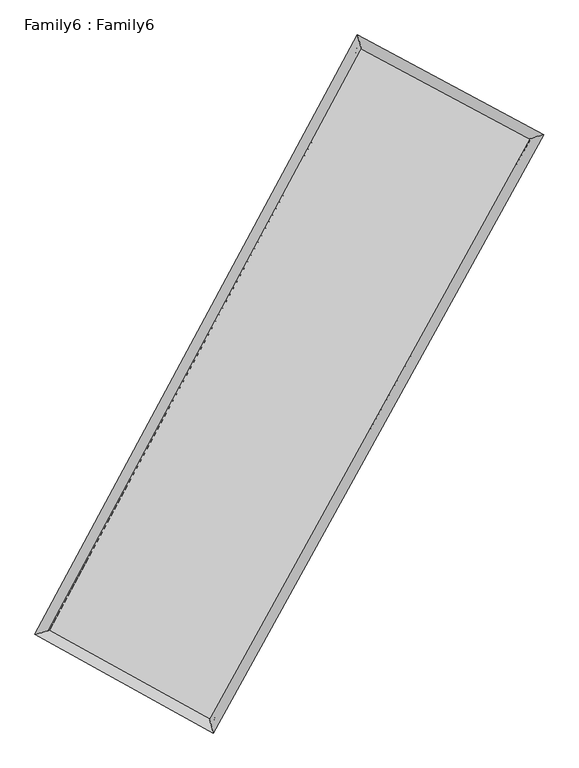
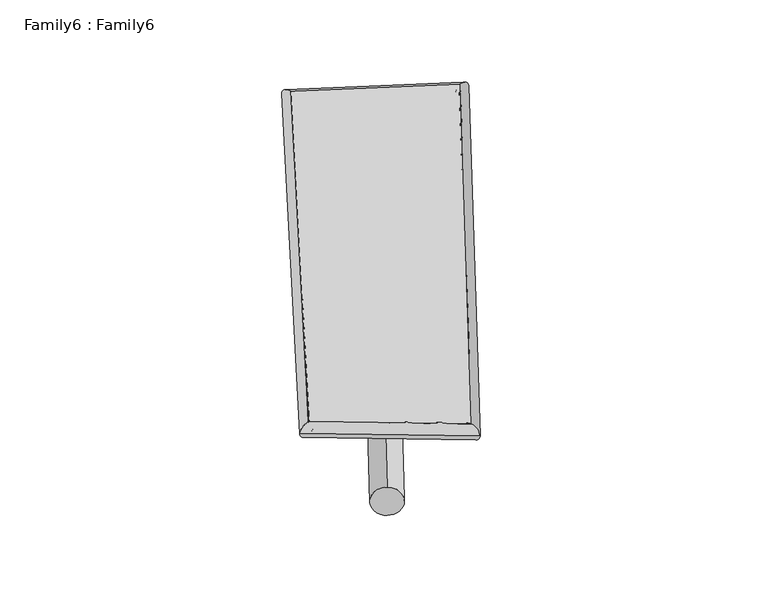
"""IFC4 building model written with IfcOpenShell, lengths in millimetres: plate geometry, Family6 : Family6."""

import ifcopenshell
import ifcopenshell.guid

model = None  # the IFC model being written
_history = None  # IfcOwnerHistory: only IFC2X3 demands one
_inside = {}  # id of a spatial element -> (the spatial element, [elements in it])
_under = {}  # id of a project, library or spatial element -> (it, [spatial elements below it])
_declared = {}  # id of a project -> (the project, [libraries it declares])
_typed = {}  # id of a type object -> (the type object, [elements of that type])
_made_of = {}  # id of a material, layer set ... -> (it, [elements and type objects made of it])


def new_model(schema):
    """Start an empty IFC model of exactly this schema.

    Asked for "IFC4X3", IfcOpenShell would pick the latest addendum, in which some entities
    have other attributes; the version numbers below select the first issue.
    IFC2X3 requires an IfcOwnerHistory on every rooted entity: one is made here for all.
    """
    global model, _history
    if schema == "IFC4X3":
        model = ifcopenshell.file(schema_version=(4, 3, 0, 0))
    else:
        model = ifcopenshell.file(schema=schema)
    _inside.clear()
    _under.clear()
    _declared.clear()
    _typed.clear()
    _made_of.clear()
    _history = None
    if model.schema == "IFC2X3":
        org = make("IfcOrganization", Name="unknown")
        user = make(
            "IfcPersonAndOrganization",
            ThePerson=make("IfcPerson", FamilyName="unknown"),
            TheOrganization=org,
        )
        app = make(
            "IfcApplication",
            ApplicationDeveloper=org,
            Version="unknown",
            ApplicationFullName="unknown",
            ApplicationIdentifier="unknown",
        )
        _history = make(
            "IfcOwnerHistory",
            OwningUser=user,
            OwningApplication=app,
            ChangeAction="ADDED",
            CreationDate=0,
        )
    return model


def make(cls, **values):
    """One entity of the class cls with the attributes given. An attribute that is None is left unset."""
    return model.create_entity(
        cls, **{name: value for name, value in values.items() if value is not None}
    )


def rooted(cls, **values):
    """An entity with a GlobalId (a new one), such as an element, a storey or a relation."""
    return make(cls, GlobalId=ifcopenshell.guid.new(), OwnerHistory=_history, **values)


def si_unit(unit_type, name, prefix=None):
    """IfcSIUnit, for example si_unit("LENGTHUNIT", "METRE", prefix="MILLI")."""
    return make("IfcSIUnit", UnitType=unit_type, Prefix=prefix, Name=name)


def assignment(units):
    """IfcUnitAssignment: the units of a project."""
    return None if units is None else make("IfcUnitAssignment", Units=units)


def point(xyz):
    """IfcCartesianPoint."""
    return None if xyz is None else make("IfcCartesianPoint", Coordinates=xyz)


def direction(xyz):
    """IfcDirection."""
    return None if xyz is None else make("IfcDirection", DirectionRatios=xyz)


def frame(location, z_axis=None, x_axis=None):
    """IfcAxis2Placement3D, a coordinate frame: its origin and axes. An axis left out is left unset."""
    return make(
        "IfcAxis2Placement3D",
        Location=point(location),
        Axis=direction(z_axis),
        RefDirection=direction(x_axis),
    )


def frame_2d(location, x_axis=None):
    """IfcAxis2Placement2D, a coordinate frame in the plane: its origin and x axis."""
    return make(
        "IfcAxis2Placement2D", Location=point(location), RefDirection=direction(x_axis)
    )


def origin():
    """The frame at (0, 0, 0) with its axes left unset."""
    return frame((0.0, 0.0, 0.0))


def origin_2d():
    """The frame at (0, 0) in the plane with its x axis left unset."""
    return frame_2d((0.0, 0.0))


def place(relative_to, where):
    """IfcLocalPlacement: puts the frame where relative to a parent placement (None: the world)."""
    return make(
        "IfcLocalPlacement", PlacementRelTo=relative_to, RelativePlacement=where
    )


def context(
    kind, dimensions, precision=None, world=None, true_north=None, identifier=None
):
    """IfcGeometricRepresentationContext, for example the 3D "Model" context."""
    return make(
        "IfcGeometricRepresentationContext",
        ContextIdentifier=identifier,
        ContextType=kind,
        CoordinateSpaceDimension=dimensions,
        Precision=precision,
        WorldCoordinateSystem=world,
        TrueNorth=true_north,
    )


def project(units=None, contexts=None):
    """IfcProject with its units and contexts."""
    return rooted(
        "IfcProject",
        Name="project",
        RepresentationContexts=contexts,
        UnitsInContext=assignment(units),
    )


def spatial(cls, under=None, at=None, **own):
    """A site, building, storey or space (cls), placed at a placement, below another one or the project."""
    s = rooted(cls, ObjectPlacement=at, **own)
    if under is not None:
        _under.setdefault(under.id(), (under, []))[1].append(s)
    return s


def circle_curve(where, radius):
    """IfcCircle in the frame where."""
    return make("IfcCircle", Position=where, Radius=radius)


def ellipse_curve(where, semi_axis1, semi_axis2):
    """IfcEllipse in the frame where."""
    return make(
        "IfcEllipse", Position=where, SemiAxis1=semi_axis1, SemiAxis2=semi_axis2
    )


def trimmed(basis, trim1, trim2, sense, master):
    """IfcTrimmedCurve: the piece of a basis curve between two trims."""
    return make(
        "IfcTrimmedCurve",
        BasisCurve=basis,
        Trim1=trim1,
        Trim2=trim2,
        SenseAgreement=sense,
        MasterRepresentation=master,
    )


def segment(curve, same_sense, transition):
    """IfcCompositeCurveSegment."""
    return make(
        "IfcCompositeCurveSegment",
        Transition=transition,
        SameSense=same_sense,
        ParentCurve=curve,
    )


def composite_curve(segments, self_intersect=None):
    """IfcCompositeCurve: segments joined end to end."""
    return make("IfcCompositeCurve", Segments=segments, SelfIntersect=self_intersect)


def outline(outer, holes=None, kind="AREA"):
    """IfcArbitraryClosedProfileDef: a profile drawn as a closed curve; with holes, ...WithVoids."""
    if holes is None:
        return make("IfcArbitraryClosedProfileDef", ProfileType=kind, OuterCurve=outer)
    return make(
        "IfcArbitraryProfileDefWithVoids",
        ProfileType=kind,
        OuterCurve=outer,
        InnerCurves=holes,
    )


def extrude(swept, where, along, depth):
    """IfcExtrudedAreaSolid: the profile swept, set in the frame where, extruded along a direction by depth."""
    return make(
        "IfcExtrudedAreaSolid",
        SweptArea=swept,
        Position=where,
        ExtrudedDirection=direction(along),
        Depth=depth,
    )


def shape(context_of_items, identifier, shape_type, items):
    """IfcShapeRepresentation: the items that make up one representation, for example the "Body"."""
    return make(
        "IfcShapeRepresentation",
        ContextOfItems=context_of_items,
        RepresentationIdentifier=identifier,
        RepresentationType=shape_type,
        Items=items,
    )


def source(mapping_origin, context_of_items, identifier, shape_type, items):
    """IfcRepresentationMap: a shape defined once, which mapped items show again and again."""
    return make(
        "IfcRepresentationMap",
        MappingOrigin=mapping_origin,
        MappedRepresentation=shape(context_of_items, identifier, shape_type, items),
    )


def transform(
    local_origin,
    x_axis=None,
    y_axis=None,
    z_axis=None,
    scale=None,
    scale2=None,
    scale3=None,
    uniform=True,
):
    """IfcCartesianTransformationOperator3D, or its non-uniform kind. x_axis, y_axis, z_axis: its Axis1, 2, 3."""
    if uniform:
        return make(
            "IfcCartesianTransformationOperator3D",
            Axis1=direction(x_axis),
            Axis2=direction(y_axis),
            LocalOrigin=point(local_origin),
            Scale=scale,
            Axis3=direction(z_axis),
        )
    return make(
        "IfcCartesianTransformationOperator3DnonUniform",
        Axis1=direction(x_axis),
        Axis2=direction(y_axis),
        LocalOrigin=point(local_origin),
        Scale=scale,
        Axis3=direction(z_axis),
        Scale2=scale2,
        Scale3=scale3,
    )


def mapped(mapping_source, mapping_target):
    """IfcMappedItem: shows the shape of a source again, moved by a transform."""
    return make(
        "IfcMappedItem", MappingSource=mapping_source, MappingTarget=mapping_target
    )


def made_of(thing, what):
    """Note that an element or type object is made of a material, layer set ...; save() writes the relation."""
    if what is not None:
        _made_of.setdefault(what.id(), (what, []))[1].append(thing)
    return thing


def element(
    cls,
    number,
    at=None,
    inside=None,
    cuts=None,
    type_object=None,
    material=None,
    context=None,
    identifier="Body",
    shape_type=None,
    held_by="IfcProductDefinitionShape",
    body=None,
    shapes=None,
    **own,
):
    """One element of the class cls, such as IfcWall. Its Tag is "e" and its number.

    at: its placement. inside: the storey or other place that contains it. cuts: it is an
    opening in that element (IfcRelVoidsElement). A single representation is given by context,
    identifier, shape_type and body (its items); several are given by shapes. held_by: the class
    of the entity that holds the representations. save() writes the other relations.
    """
    e = rooted(cls, Tag="e%d" % number, ObjectPlacement=at, **own)
    if body is not None:
        shapes = [shape(context, identifier, shape_type, body)]
    if shapes is not None:
        e.Representation = make(held_by, Representations=shapes)
    if inside is not None:
        _inside.setdefault(inside.id(), (inside, []))[1].append(e)
    if cuts is not None:
        rooted(
            "IfcRelVoidsElement", RelatingBuildingElement=cuts, RelatedOpeningElement=e
        )
    if type_object is not None:
        _typed.setdefault(type_object.id(), (type_object, []))[1].append(e)
    return made_of(e, material)


def aggregate(whole, parts):
    """IfcRelAggregates: a whole, such as a stair, and the parts it consists of."""
    return rooted("IfcRelAggregates", RelatingObject=whole, RelatedObjects=parts)


def save(model, path):
    """Write the relations noted so far, then the file.

    IfcRelAggregates (storeys below a building ...), IfcRelContainedInSpatialStructure (elements
    in a storey), IfcRelDefinesByType, IfcRelAssociatesMaterial and IfcRelDeclares: one each for
    every whole, place, type object, material and project.
    """
    for whole, parts in _under.values():
        aggregate(whole, parts)
    for where, things in _inside.values():
        rooted(
            "IfcRelContainedInSpatialStructure",
            RelatedElements=things,
            RelatingStructure=where,
        )
    for kind, things in _typed.values():
        rooted("IfcRelDefinesByType", RelatedObjects=things, RelatingType=kind)
    for what, things in _made_of.values():
        rooted("IfcRelAssociatesMaterial", RelatedObjects=things, RelatingMaterial=what)
    for by, libraries in _declared.values():
        rooted("IfcRelDeclares", RelatingContext=by, RelatedDefinitions=libraries)
    model.write(path)


def plane_surface(at):
    """IfcPlane: the flat surface through the origin of the frame at, square to its z axis."""
    return make("IfcPlane", Position=at)


def cylinder_surface(at, radius):
    """IfcCylindricalSurface: all points at the distance radius from the z axis of the frame at."""
    return make("IfcCylindricalSurface", Position=at, Radius=radius)


def spline_surface(u_degree, v_degree, points, u_multiplicities, v_multiplicities, u_knots, v_knots, weights=None):
    """IfcBSplineSurfaceWithKnots; with weights, IfcRationalBSplineSurfaceWithKnots. points: one row for each step in u."""
    own = dict(
        UDegree=u_degree,
        VDegree=v_degree,
        ControlPointsList=[[point(p) for p in row] for row in points],
        SurfaceForm="UNSPECIFIED",
        UClosed=False,
        VClosed=False,
        SelfIntersect=False,
        UMultiplicities=u_multiplicities,
        VMultiplicities=v_multiplicities,
        UKnots=u_knots,
        VKnots=v_knots,
        KnotSpec="UNSPECIFIED",
    )
    if weights is None:
        return make("IfcBSplineSurfaceWithKnots", **own)
    return make("IfcRationalBSplineSurfaceWithKnots", WeightsData=weights, **own)


def advanced_brep(points, edges, surfaces, faces):
    """IfcAdvancedBrep: a solid bounded by faces that lie on surfaces and meet in shared edges.

    An edge is (start, end): straight between two places in points (the first is 0);
    or (start, end, curve); or (start, end, curve, False) where it runs against its curve.
    A face is (place in surfaces, loops), or (place, loops, False) where it looks against
    its surface's normal. A loop lists edges by number (the first is 1), with a minus sign
    where the edge is run from its end to its start. The first loop is the outer one.
    """
    corners = [point(p) for p in points]
    vertices = [make("IfcVertexPoint", VertexGeometry=c) for c in corners]
    made = []
    for start, end, *more in edges:
        made.append(
            make(
                "IfcEdgeCurve",
                EdgeStart=vertices[start],
                EdgeEnd=vertices[end],
                EdgeGeometry=more[0] if more else make("IfcPolyline", Points=[corners[start], corners[end]]),
                SameSense=more[1] if len(more) > 1 else True,
            )
        )
    hull = []
    for where, loops, *sense in faces:
        bounds = []
        for j, loop in enumerate(loops):
            ring = [make("IfcOrientedEdge", EdgeElement=made[abs(k) - 1], Orientation=k > 0) for k in loop]
            bounds.append(
                make(
                    "IfcFaceOuterBound" if j == 0 else "IfcFaceBound",
                    Bound=make("IfcEdgeLoop", EdgeList=ring),
                    Orientation=True,
                )
            )
        hull.append(make("IfcAdvancedFace", Bounds=bounds, FaceSurface=surfaces[where], SameSense=sense[0] if sense else True))
    return make("IfcAdvancedBrep", Outer=make("IfcClosedShell", CfsFaces=hull))


def family6_family6_c19608ae(model_context):
    return source(origin(), model_context, "Body", "SolidModel", [
        extrude(outline(composite_curve([segment(trimmed(circle_curve(origin_2d(), 76.2), [point((-75.4341514, -10.7763074))], [point((75.4341514, 10.7763074))], False, "CARTESIAN"), True, "CONTINUOUS"), segment(trimmed(circle_curve(origin_2d(), 76.2), [point((75.4341514, 10.7763074))], [point((-75.4341514, -10.7763074))], False, "CARTESIAN"), True, "CONTINUOUS")], self_intersect=False)), frame((9144.0, 9144.0, 0.0), z_axis=(0.6758506490862275, 0.6823429767708056, 0.27862871743824463), x_axis=(-0.6751767400548583, 0.7247821057757261, -0.13721249518975512)), (0.0, 0.0, 1.0), 5619.7277209),
        extrude(outline(composite_curve([segment(trimmed(circle_curve(origin_2d(), 76.2), [point((-53.8815367, 53.8815368))], [point((53.8815367, -53.8815368))], False, "CARTESIAN"), True, "CONTINUOUS"), segment(trimmed(circle_curve(origin_2d(), 76.2), [point((53.8815367, -53.8815368))], [point((-53.8815367, 53.8815368))], False, "CARTESIAN"), True, "CONTINUOUS")], self_intersect=False)), frame((9144.0, 9144.0, 0.0), z_axis=(-0.6687883186809304, -0.6884793804368171, 0.2805678661380714), x_axis=(0.647072566043043, -0.3532163457133725, 0.6756739653082418)), (0.0, 0.0, 1.0), 5585.190193),
        extrude(outline(composite_curve([segment(trimmed(circle_curve(origin_2d(), 76.2), [point((-53.8815367, -53.8815367))], [point((53.8815367, 53.8815367))], False, "CARTESIAN"), True, "CONTINUOUS"), segment(trimmed(circle_curve(origin_2d(), 76.2), [point((53.8815367, 53.8815367))], [point((-53.8815367, -53.8815367))], False, "CARTESIAN"), True, "CONTINUOUS")], self_intersect=False)), frame((9144.0, 9144.0, 0.0), z_axis=(0.2075530639584136, 0.9415212708446994, 0.26544193750885897), x_axis=(-0.8497456510082901, 0.30795765106192946, -0.427895330361195)), (0.0, 0.0, 1.0), 5573.5233652),
        extrude(outline(composite_curve([segment(trimmed(circle_curve(origin_2d(), 76.2), [point((-75.4341515, 10.7763073))], [point((75.4341515, -10.7763073))], False, "CARTESIAN"), True, "CONTINUOUS"), segment(trimmed(circle_curve(origin_2d(), 76.2), [point((75.4341515, -10.7763073))], [point((-75.4341515, 10.7763073))], False, "CARTESIAN"), True, "CONTINUOUS")], self_intersect=False)), frame((9144.0, 9144.0, 0.0), z_axis=(-0.2174767178130554, -0.9393992791409931, 0.26501485158127214), x_axis=(0.8951914232893239, -0.08375046456180818, 0.4377421334015221)), (0.0, 0.0, 1.0), 5577.40573),
        advanced_brep(
        [(5203.3654617, 5238.4375022, 1561.7307785), (5203.2221297, 5238.1819146, 1574.7522467), (5614.014621, 5358.9859304, 1572.3190103), (10362.8687526, 14185.594579, 1487.3055401), (10238.7349504, 14597.5870247, 1471.5881415), (5614.1579529, 5359.241518, 1559.2975422), (12734.0442942, 12917.0907552, 1564.843292), (13150.1489615, 13040.0727282, 1566.7917624), (7871.3209053, 4111.691853, 1479.7177275), (7990.7673106, 3697.4863025, 1476.472976)],
        [
            (0, 1, ellipse_curve(frame((5408.6900413, 5298.7117163, 1567.0248944), z_axis=(-0.28200851393191617, 0.9592830284943216, 0.015724799288861238), x_axis=(-0.9589024165176773, -0.28235496856645786, 0.027961175268460932)), 214.3445288, 152.4)),
            (1, 2, ellipse_curve(frame((5408.6900413, 5298.7117163, 1567.0248944), z_axis=(-0.28200851393191617, 0.9592830284943216, 0.015724799288861238), x_axis=(-0.9589024165176773, -0.28235496856645786, 0.027961175268460932)), 214.3445288, 152.4)),
            (2, 3),
            (3, 4, ellipse_curve(frame((10300.8018515, 14391.5908019, 1479.4468408), z_axis=(-0.9572323524270343, -0.288963327118793, -0.014367290887405685), x_axis=(0.28852914720691, -0.9571069403396756, 0.026405226105417023)), 215.2979679, 152.4)),
            (4, 0),
            (2, 5, ellipse_curve(frame((5408.6900413, 5298.7117163, 1567.0248944), z_axis=(-0.28200851393191617, 0.9592830284943216, 0.015724799288861238), x_axis=(-0.9589024165176773, -0.28235496856645786, 0.027961175268460932)), 214.3445288, 152.4)),
            (5, 0, ellipse_curve(frame((5408.6900413, 5298.7117163, 1567.0248944), z_axis=(-0.28200851393191617, 0.9592830284943216, 0.015724799288861238), x_axis=(-0.9589024165176773, -0.28235496856645786, 0.027961175268460932)), 214.3445288, 152.4)),
            (4, 3, ellipse_curve(frame((10300.8018515, 14391.5908019, 1479.4468408), z_axis=(-0.9572323524270343, -0.288963327118793, -0.014367290887405685), x_axis=(0.28852914720691, -0.9571069403396756, 0.026405226105417023)), 215.2979679, 152.4)),
            (3, 6),
            (6, 7, ellipse_curve(frame((12942.0966279, 12978.5817417, 1565.8175272), z_axis=(-0.28334287798180285, 0.9589091283400397, -0.014494726045500938), x_axis=(-0.9585733656671617, -0.28363949793665894, -0.02618659664351345)), 217.0037716, 152.4)),
            (7, 4),
            (7, 6, ellipse_curve(frame((12942.0966279, 12978.5817417, 1565.8175272), z_axis=(-0.28334287798180285, 0.9589091283400397, -0.014494726045500938), x_axis=(-0.9585733656671617, -0.28363949793665894, -0.02618659664351345)), 217.0037716, 152.4)),
            (6, 8),
            (8, 9, ellipse_curve(frame((7931.0441079, 3904.5890777, 1478.0953518), z_axis=(0.9606923897401201, 0.2771633948413197, -0.01582987225003105), x_axis=(-0.2766684512261696, 0.9605636944950112, 0.02778411262227867)), 215.592557, 152.4)),
            (9, 7),
            (9, 8, ellipse_curve(frame((7931.0441079, 3904.5890777, 1478.0953518), z_axis=(0.9606923897401201, 0.2771633948413197, -0.01582987225003105), x_axis=(-0.2766684512261696, 0.9605636944950112, 0.02778411262227867)), 215.592557, 152.4)),
            (8, 5),
            (1, 9),
        ],
        [
            cylinder_surface(frame((5408.6900413, 5298.7117163, 1567.0248944), z_axis=(-0.4737783893844804, -0.8806032599386616, 0.008481529204663094), x_axis=(-0.8799896408164632, 0.47303310067811866, -0.04310356967301984)), 152.4),
            cylinder_surface(frame((10300.8018515, 14391.5908019, 1479.4468408), z_axis=(-0.881387309118291, 0.4715142983675749, -0.028821480880614984), x_axis=(0.472167329828912, 0.881213806265312, -0.022808776592281196)), 152.4),
            cylinder_surface(frame((12942.0966279, 12978.5817417, 1565.8175272), z_axis=(0.48340846956927425, 0.8753540077919931, 0.008462422300219513), x_axis=(0.8753921939642517, -0.4834084695692743, -0.002181351678670225)), 152.4),
            cylinder_surface(frame((7931.0441079, 3904.5890777, 1478.0953518), z_axis=(0.8747972329349658, -0.48350651590049615, -0.030842346394051354), x_axis=(-0.48309220444566525, -0.8753363662856359, 0.02020316464533905)), 152.4),
        ],
        [
            (0, [[1, 2, 3, 4, 5]]),
            (0, [[6, 7, -5, 8, -3]]),
            (1, [[-4, 9, 10, 11]]),
            (1, [[-8, -11, 12, -9]]),
            (2, [[-10, 13, 14, 15]]),
            (2, [[-12, -15, 16, -13]]),
            (3, [[-14, 17, -6, -2, 18]]),
            (3, [[-16, -18, -1, -7, -17]]),
        ],
    ),
        extrude(outline(composite_curve([segment(trimmed(circle_curve(origin_2d(), 304.8), [point((0.0, 304.7999999))], [point((0.0, -304.8))], False, "CARTESIAN"), True, "CONTINUOUS"), segment(trimmed(circle_curve(origin_2d(), 304.8), [point((0.0, -304.8))], [point((0.0, 304.7999999))], False, "CARTESIAN"), True, "CONTINUOUS")], self_intersect=False)), frame((11669.0420512, 13681.1510483, -0.0890566), z_axis=(-0.4862907063351506, -0.8737970866499261, 1.715115281011054e-05), x_axis=(-0.8737970868069131, 0.4862907063351506, -4.4510935970138846e-06)), (0.0, 0.0, 1.0), 10384.9077036),
        advanced_brep(
        [(5408.6900413, 5298.7117163, 1567.0248944), (7931.0441079, 3904.5890777, 1478.0953518), (7931.0235965, 3904.5961916, 1630.4953502), (5408.6695299, 5298.7188302, 1719.4248929), (12942.0966279, 12978.5817417, 1565.8175272), (12942.0761165, 12978.5888556, 1718.2175257), (10300.8018515, 14391.5908019, 1479.4468408), (10300.7813401, 14391.5979158, 1631.8468393)],
        [
            (0, 1),
            (1, 2),
            (2, 3),
            (3, 0),
            (1, 4),
            (4, 5),
            (5, 2),
            (4, 6),
            (6, 7),
            (7, 5),
            (6, 0),
            (3, 7),
        ],
        [
            plane_surface(frame((6669.8670746, 4601.650397, 1522.5601231), z_axis=(-0.48373730277155835, -0.875213243340822, -2.4251536474740806e-05), x_axis=(0.8747972329349655, -0.48350651590049654, -0.030842346394051312))),
            plane_surface(frame((10436.5703679, 8441.5854097, 1521.9564395), z_axis=(0.875384769711318, -0.48342681478170885, 0.00014038331391705468), x_axis=(0.48340846956927463, 0.8753540077919931, 0.008462422300219541))),
            plane_surface(frame((11621.4492397, 13685.0862718, 1522.632184), z_axis=(0.4717096909109917, 0.8817539152179267, 2.2327436475915244e-05), x_axis=(-0.8813873091182909, 0.4715142983675753, -0.028821480880614973))),
            plane_surface(frame((7854.7459464, 9845.1512591, 1523.2358676), z_axis=(-0.8806354918094025, 0.4737943760598034, -0.00014064036958384664), x_axis=(-0.4737783893844809, -0.8806032599386615, 0.008481529204663099))),
            spline_surface(1, 1, [[(7931.0235965, 3904.5961916, 1630.4953502), (5408.6695299, 5298.7188302, 1719.4248929)], [(12942.0761165, 12978.5888556, 1718.2175257), (10300.7813401, 14391.5979158, 1631.8468393)]], [2, 2], [2, 2], [0.0, 1.0], [0.0, 1.0]),
            spline_surface(1, 1, [[(10300.8018515, 14391.5908019, 1479.4468408), (5408.6900413, 5298.7117163, 1567.0248944)], [(12942.0966279, 12978.5817417, 1565.8175272), (7931.0441079, 3904.5890777, 1478.0953518)]], [2, 2], [2, 2], [0.0, 1.0], [0.0, 1.0]),
        ],
        [
            (0, [[1, 2, 3, 4]]),
            (1, [[5, 6, 7, -2]]),
            (2, [[8, 9, 10, -6]]),
            (3, [[11, -4, 12, -9]]),
            (4, [[-3, -7, -10, -12]]),
            (5, [[-11, -8, -5, -1]]),
        ],
    ),
    ])


if __name__ == "__main__":
    model = new_model("IFC4")
    model_context = context("Model", 3, world=origin())
    ifc_project = project(units=[si_unit("LENGTHUNIT", "METRE", prefix="MILLI")], contexts=[model_context])
    site = spatial("IfcSite", under=ifc_project)
    building = spatial("IfcBuilding", under=site)
    placement = place(None, origin())
    family6_family6_shape = family6_family6_c19608ae(model_context)
    element("IfcPlate", 1, ObjectType="Family6 : Family6", at=placement, inside=building, context=model_context, shape_type="MappedRepresentation", body=[
        mapped(family6_family6_shape, transform((0.0, 0.0, 0.0), x_axis=(1.0, 0.0, 0.0), y_axis=(0.0, 1.0, 0.0), z_axis=(0.0, 0.0, 1.0))),
    ])
    save(model, "model.ifc")
